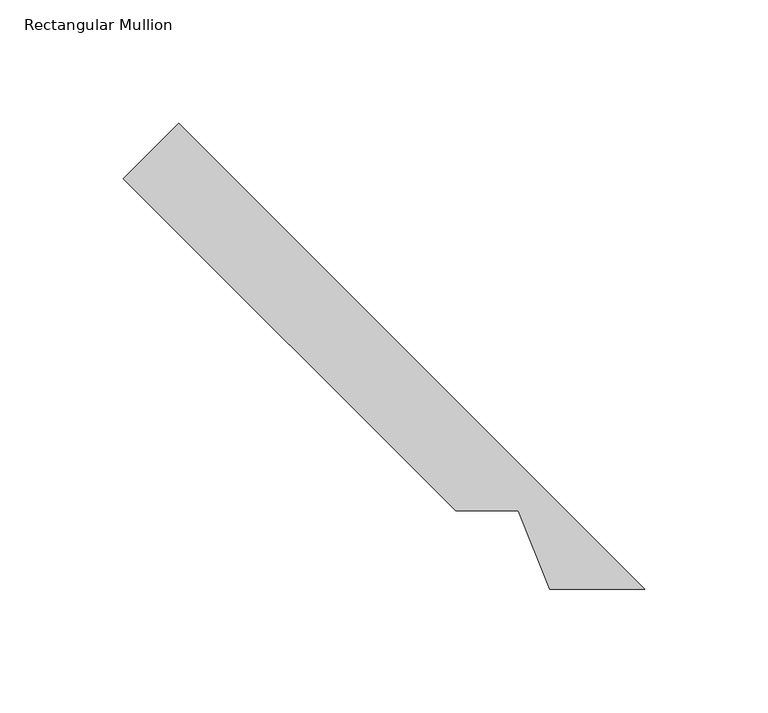
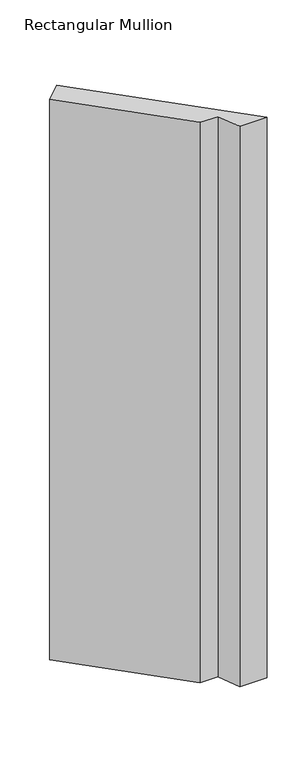
"""IFC4 building model written with IfcOpenShell, lengths in millimetres: member geometry, Rectangular Mullion."""

from ifc_helpers import new_model, si_unit, frame, origin, place, context, project, spatial, polyline, outline, extrude, source, transform, mapped, element, save


def rectangular_mullion_df9d77e6(model_context):
    return source(origin(), model_context, "Body", "SweptSolid", [
        extrude(outline(polyline([(-96.464944, 51.59375), (-231.1687858, 186.2975918), (-208.7181455, 208.7482321), (-19.8136634, 19.84375), (-58.3447889, 19.84375), (-71.0787716, 51.59375), (-96.464944, 51.59375)])), frame((0.0, 0.0, -838.1999996), z_axis=(0.0, 0.0, 1.0), x_axis=(1.0, 0.0, 0.0)), (0.0, 0.0, 1.0), 838.1999996),
    ])


if __name__ == "__main__":
    model = new_model("IFC4")
    model_context = context("Model", 3, world=origin())
    ifc_project = project(units=[si_unit("LENGTHUNIT", "METRE", prefix="MILLI")], contexts=[model_context])
    site = spatial("IfcSite", under=ifc_project)
    building = spatial("IfcBuilding", under=site)
    placement = place(None, origin())
    rectangular_mullion_shape = rectangular_mullion_df9d77e6(model_context)
    element("IfcMember", 1, ObjectType="Rectangular Mullion", at=placement, inside=building, context=model_context, shape_type="MappedRepresentation", body=[
        mapped(rectangular_mullion_shape, transform((0.0, 0.0, 0.0), x_axis=(1.0, 0.0, 0.0), y_axis=(0.0, 1.0, 0.0), z_axis=(0.0, 0.0, 1.0))),
    ])
    save(model, "model.ifc")
